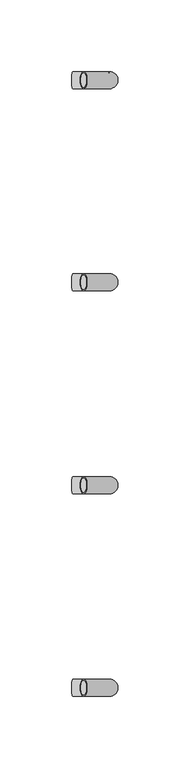
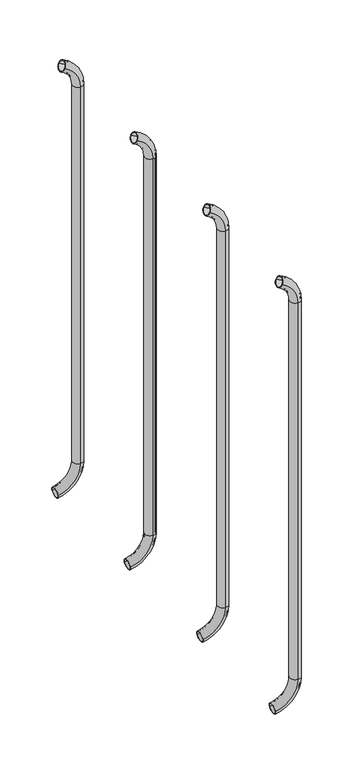
"""IFC4 building model written with IfcOpenShell, lengths in millimetres: beam geometry."""

import ifcopenshell
import ifcopenshell.guid

model = None  # the IFC model being written
_history = None  # IfcOwnerHistory: only IFC2X3 demands one
_inside = {}  # id of a spatial element -> (the spatial element, [elements in it])
_under = {}  # id of a project, library or spatial element -> (it, [spatial elements below it])
_declared = {}  # id of a project -> (the project, [libraries it declares])
_typed = {}  # id of a type object -> (the type object, [elements of that type])
_made_of = {}  # id of a material, layer set ... -> (it, [elements and type objects made of it])


def new_model(schema):
    """Start an empty IFC model of exactly this schema.

    Asked for "IFC4X3", IfcOpenShell would pick the latest addendum, in which some entities
    have other attributes; the version numbers below select the first issue.
    IFC2X3 requires an IfcOwnerHistory on every rooted entity: one is made here for all.
    """
    global model, _history
    if schema == "IFC4X3":
        model = ifcopenshell.file(schema_version=(4, 3, 0, 0))
    else:
        model = ifcopenshell.file(schema=schema)
    _inside.clear()
    _under.clear()
    _declared.clear()
    _typed.clear()
    _made_of.clear()
    _history = None
    if model.schema == "IFC2X3":
        org = make("IfcOrganization", Name="unknown")
        user = make(
            "IfcPersonAndOrganization",
            ThePerson=make("IfcPerson", FamilyName="unknown"),
            TheOrganization=org,
        )
        app = make(
            "IfcApplication",
            ApplicationDeveloper=org,
            Version="unknown",
            ApplicationFullName="unknown",
            ApplicationIdentifier="unknown",
        )
        _history = make(
            "IfcOwnerHistory",
            OwningUser=user,
            OwningApplication=app,
            ChangeAction="ADDED",
            CreationDate=0,
        )
    return model


def make(cls, **values):
    """One entity of the class cls with the attributes given. An attribute that is None is left unset."""
    return model.create_entity(
        cls, **{name: value for name, value in values.items() if value is not None}
    )


def rooted(cls, **values):
    """An entity with a GlobalId (a new one), such as an element, a storey or a relation."""
    return make(cls, GlobalId=ifcopenshell.guid.new(), OwnerHistory=_history, **values)


def si_unit(unit_type, name, prefix=None):
    """IfcSIUnit, for example si_unit("LENGTHUNIT", "METRE", prefix="MILLI")."""
    return make("IfcSIUnit", UnitType=unit_type, Prefix=prefix, Name=name)


def assignment(units):
    """IfcUnitAssignment: the units of a project."""
    return None if units is None else make("IfcUnitAssignment", Units=units)


def point(xyz):
    """IfcCartesianPoint."""
    return None if xyz is None else make("IfcCartesianPoint", Coordinates=xyz)


def direction(xyz):
    """IfcDirection."""
    return None if xyz is None else make("IfcDirection", DirectionRatios=xyz)


def frame(location, z_axis=None, x_axis=None):
    """IfcAxis2Placement3D, a coordinate frame: its origin and axes. An axis left out is left unset."""
    return make(
        "IfcAxis2Placement3D",
        Location=point(location),
        Axis=direction(z_axis),
        RefDirection=direction(x_axis),
    )


def origin():
    """The frame at (0, 0, 0) with its axes left unset."""
    return frame((0.0, 0.0, 0.0))


def place(relative_to, where):
    """IfcLocalPlacement: puts the frame where relative to a parent placement (None: the world)."""
    return make(
        "IfcLocalPlacement", PlacementRelTo=relative_to, RelativePlacement=where
    )


def context(
    kind, dimensions, precision=None, world=None, true_north=None, identifier=None
):
    """IfcGeometricRepresentationContext, for example the 3D "Model" context."""
    return make(
        "IfcGeometricRepresentationContext",
        ContextIdentifier=identifier,
        ContextType=kind,
        CoordinateSpaceDimension=dimensions,
        Precision=precision,
        WorldCoordinateSystem=world,
        TrueNorth=true_north,
    )


def project(units=None, contexts=None):
    """IfcProject with its units and contexts."""
    return rooted(
        "IfcProject",
        Name="project",
        RepresentationContexts=contexts,
        UnitsInContext=assignment(units),
    )


def spatial(cls, under=None, at=None, **own):
    """A site, building, storey or space (cls), placed at a placement, below another one or the project."""
    s = rooted(cls, ObjectPlacement=at, **own)
    if under is not None:
        _under.setdefault(under.id(), (under, []))[1].append(s)
    return s


def polyline(points):
    """IfcPolyline through the points."""
    return make("IfcPolyline", Points=[point(p) for p in points])


def circle_curve(where, radius):
    """IfcCircle in the frame where."""
    return make("IfcCircle", Position=where, Radius=radius)


def ellipse_curve(where, semi_axis1, semi_axis2):
    """IfcEllipse in the frame where."""
    return make(
        "IfcEllipse", Position=where, SemiAxis1=semi_axis1, SemiAxis2=semi_axis2
    )


def trimmed(basis, trim1, trim2, sense, master):
    """IfcTrimmedCurve: the piece of a basis curve between two trims."""
    return make(
        "IfcTrimmedCurve",
        BasisCurve=basis,
        Trim1=trim1,
        Trim2=trim2,
        SenseAgreement=sense,
        MasterRepresentation=master,
    )


def shape(context_of_items, identifier, shape_type, items):
    """IfcShapeRepresentation: the items that make up one representation, for example the "Body"."""
    return make(
        "IfcShapeRepresentation",
        ContextOfItems=context_of_items,
        RepresentationIdentifier=identifier,
        RepresentationType=shape_type,
        Items=items,
    )


def source(mapping_origin, context_of_items, identifier, shape_type, items):
    """IfcRepresentationMap: a shape defined once, which mapped items show again and again."""
    return make(
        "IfcRepresentationMap",
        MappingOrigin=mapping_origin,
        MappedRepresentation=shape(context_of_items, identifier, shape_type, items),
    )


def transform(
    local_origin,
    x_axis=None,
    y_axis=None,
    z_axis=None,
    scale=None,
    scale2=None,
    scale3=None,
    uniform=True,
):
    """IfcCartesianTransformationOperator3D, or its non-uniform kind. x_axis, y_axis, z_axis: its Axis1, 2, 3."""
    if uniform:
        return make(
            "IfcCartesianTransformationOperator3D",
            Axis1=direction(x_axis),
            Axis2=direction(y_axis),
            LocalOrigin=point(local_origin),
            Scale=scale,
            Axis3=direction(z_axis),
        )
    return make(
        "IfcCartesianTransformationOperator3DnonUniform",
        Axis1=direction(x_axis),
        Axis2=direction(y_axis),
        LocalOrigin=point(local_origin),
        Scale=scale,
        Axis3=direction(z_axis),
        Scale2=scale2,
        Scale3=scale3,
    )


def mapped(mapping_source, mapping_target):
    """IfcMappedItem: shows the shape of a source again, moved by a transform."""
    return make(
        "IfcMappedItem", MappingSource=mapping_source, MappingTarget=mapping_target
    )


def made_of(thing, what):
    """Note that an element or type object is made of a material, layer set ...; save() writes the relation."""
    if what is not None:
        _made_of.setdefault(what.id(), (what, []))[1].append(thing)
    return thing


def element(
    cls,
    number,
    at=None,
    inside=None,
    cuts=None,
    type_object=None,
    material=None,
    context=None,
    identifier="Body",
    shape_type=None,
    held_by="IfcProductDefinitionShape",
    body=None,
    shapes=None,
    **own,
):
    """One element of the class cls, such as IfcWall. Its Tag is "e" and its number.

    at: its placement. inside: the storey or other place that contains it. cuts: it is an
    opening in that element (IfcRelVoidsElement). A single representation is given by context,
    identifier, shape_type and body (its items); several are given by shapes. held_by: the class
    of the entity that holds the representations. save() writes the other relations.
    """
    e = rooted(cls, Tag="e%d" % number, ObjectPlacement=at, **own)
    if body is not None:
        shapes = [shape(context, identifier, shape_type, body)]
    if shapes is not None:
        e.Representation = make(held_by, Representations=shapes)
    if inside is not None:
        _inside.setdefault(inside.id(), (inside, []))[1].append(e)
    if cuts is not None:
        rooted(
            "IfcRelVoidsElement", RelatingBuildingElement=cuts, RelatedOpeningElement=e
        )
    if type_object is not None:
        _typed.setdefault(type_object.id(), (type_object, []))[1].append(e)
    return made_of(e, material)


def aggregate(whole, parts):
    """IfcRelAggregates: a whole, such as a stair, and the parts it consists of."""
    return rooted("IfcRelAggregates", RelatingObject=whole, RelatedObjects=parts)


def save(model, path):
    """Write the relations noted so far, then the file.

    IfcRelAggregates (storeys below a building ...), IfcRelContainedInSpatialStructure (elements
    in a storey), IfcRelDefinesByType, IfcRelAssociatesMaterial and IfcRelDeclares: one each for
    every whole, place, type object, material and project.
    """
    for whole, parts in _under.values():
        aggregate(whole, parts)
    for where, things in _inside.values():
        rooted(
            "IfcRelContainedInSpatialStructure",
            RelatedElements=things,
            RelatingStructure=where,
        )
    for kind, things in _typed.values():
        rooted("IfcRelDefinesByType", RelatedObjects=things, RelatingType=kind)
    for what, things in _made_of.values():
        rooted("IfcRelAssociatesMaterial", RelatedObjects=things, RelatingMaterial=what)
    for by, libraries in _declared.values():
        rooted("IfcRelDeclares", RelatingContext=by, RelatedDefinitions=libraries)
    model.write(path)


def plane_surface(at):
    """IfcPlane: the flat surface through the origin of the frame at, square to its z axis."""
    return make("IfcPlane", Position=at)


def cylinder_surface(at, radius):
    """IfcCylindricalSurface: all points at the distance radius from the z axis of the frame at."""
    return make("IfcCylindricalSurface", Position=at, Radius=radius)


def revolved_surface(curve, axis_point, axis_direction):
    """IfcSurfaceOfRevolution: the curve turned about the line through axis_point along axis_direction."""
    return make(
        "IfcSurfaceOfRevolution",
        SweptCurve=make("IfcArbitraryOpenProfileDef", ProfileType="CURVE", Curve=curve),
        AxisPosition=make("IfcAxis1Placement", Location=point(axis_point), Axis=direction(axis_direction)),
    )


def advanced_brep(points, edges, surfaces, faces):
    """IfcAdvancedBrep: a solid bounded by faces that lie on surfaces and meet in shared edges.

    An edge is (start, end): straight between two places in points (the first is 0);
    or (start, end, curve); or (start, end, curve, False) where it runs against its curve.
    A face is (place in surfaces, loops), or (place, loops, False) where it looks against
    its surface's normal. A loop lists edges by number (the first is 1), with a minus sign
    where the edge is run from its end to its start. The first loop is the outer one.
    """
    corners = [point(p) for p in points]
    vertices = [make("IfcVertexPoint", VertexGeometry=c) for c in corners]
    made = []
    for start, end, *more in edges:
        made.append(
            make(
                "IfcEdgeCurve",
                EdgeStart=vertices[start],
                EdgeEnd=vertices[end],
                EdgeGeometry=more[0] if more else make("IfcPolyline", Points=[corners[start], corners[end]]),
                SameSense=more[1] if len(more) > 1 else True,
            )
        )
    hull = []
    for where, loops, *sense in faces:
        bounds = []
        for j, loop in enumerate(loops):
            ring = [make("IfcOrientedEdge", EdgeElement=made[abs(k) - 1], Orientation=k > 0) for k in loop]
            bounds.append(
                make(
                    "IfcFaceOuterBound" if j == 0 else "IfcFaceBound",
                    Bound=make("IfcEdgeLoop", EdgeList=ring),
                    Orientation=True,
                )
            )
        hull.append(make("IfcAdvancedFace", Bounds=bounds, FaceSurface=surfaces[where], SameSense=sense[0] if sense else True))
    return make("IfcAdvancedBrep", Outer=make("IfcClosedShell", CfsFaces=hull))


def beam_a1d6530e(model_context):
    return source(origin(), model_context, "Body", "AdvancedBrep", [
        advanced_brep(
        [(-1667.3713033, 2408.5765736, 1917.1908893), (-1667.3713033, 2396.5765736, 1917.1908893), (-1667.3713033, 2407.5765736, 1917.1908893), (-1667.3713033, 2397.5765736, 1917.1908893), (-1649.2946865, 2407.5765736, 1889.6621238), (-1649.2946865, 2397.5765736, 1889.6621238), (-1649.2946865, 2408.5765736, 1889.6621238), (-1649.2946865, 2396.5765736, 1889.6621238), (-1649.2946865, 2397.5765736, 1440.7084898), (-1649.2946865, 2407.5765736, 1440.7084898), (-1649.2946865, 2396.5765736, 1440.7084898), (-1649.2946865, 2408.5765736, 1440.7084898), (-1674.9142626, 2408.5765736, 1411.0300146), (-1674.9142626, 2396.5765736, 1411.0300146), (-1674.9142626, 2407.5765736, 1411.0300146), (-1674.9142626, 2397.5765736, 1411.0300146)],
        [
            (0, 1, circle_curve(frame((-1667.3713033, 2402.5765736, 1917.1908893), z_axis=(-0.9176255197351176, 0.0, 0.3974461039321624), x_axis=(0.0, -1.0, 0.0)), 6.0)),
            (1, 0, circle_curve(frame((-1667.3713033, 2402.5765736, 1917.1908893), z_axis=(-0.9176255197351176, 0.0, 0.3974461039321624), x_axis=(0.0, -1.0, 0.0)), 6.0)),
            (2, 3, circle_curve(frame((-1667.3713033, 2402.5765736, 1917.1908893), z_axis=(0.9176255197351176, 0.0, -0.3974461039321624), x_axis=(0.0, -1.0, 0.0)), 5.0)),
            (3, 2, circle_curve(frame((-1667.3713033, 2402.5765736, 1917.1908893), z_axis=(0.9176255197351176, 0.0, -0.3974461039321624), x_axis=(0.0, -1.0, 0.0)), 5.0)),
            (4, 2, circle_curve(frame((-1679.2946865, 2407.5765736, 1889.6621238), z_axis=(0.0, -1.0, 0.0), x_axis=(0.3974461039321624, 0.0, 0.9176255197351176)), 30.0)),
            (3, 5, circle_curve(frame((-1679.2946865, 2397.5765736, 1889.6621238), z_axis=(0.0, 1.0, 0.0), x_axis=(0.3974461039321624, 0.0, 0.9176255197351176)), 30.0)),
            (5, 4, circle_curve(frame((-1649.2946865, 2402.5765736, 1889.6621238), z_axis=(0.0, 0.0, -1.0), x_axis=(0.0, -1.0, 0.0)), 5.0)),
            (4, 5, circle_curve(frame((-1649.2946865, 2402.5765736, 1889.6621238), z_axis=(0.0, 0.0, -1.0), x_axis=(0.0, -1.0, 0.0)), 5.0)),
            (6, 0, circle_curve(frame((-1679.2946865, 2408.5765736, 1889.6621238), z_axis=(0.0, -1.0, 0.0), x_axis=(0.3974461039321624, 0.0, 0.9176255197351176)), 30.0)),
            (1, 7, circle_curve(frame((-1679.2946865, 2396.5765736, 1889.6621238), z_axis=(0.0, 1.0, 0.0), x_axis=(0.3974461039321624, 0.0, 0.9176255197351176)), 30.0)),
            (7, 6, circle_curve(frame((-1649.2946865, 2402.5765736, 1889.6621238), z_axis=(0.0, 0.0, 1.0), x_axis=(0.0, -1.0, 0.0)), 6.0)),
            (6, 7, circle_curve(frame((-1649.2946865, 2402.5765736, 1889.6621238), z_axis=(0.0, 0.0, 1.0), x_axis=(0.0, -1.0, 0.0)), 6.0)),
            (5, 8),
            (8, 9, circle_curve(frame((-1649.2946865, 2402.5765736, 1440.7084898), z_axis=(0.0, 0.0, -1.0), x_axis=(0.0, -1.0, 0.0)), 5.0)),
            (9, 4),
            (9, 8, circle_curve(frame((-1649.2946865, 2402.5765736, 1440.7084898), z_axis=(0.0, 0.0, -1.0), x_axis=(0.0, -1.0, 0.0)), 5.0)),
            (7, 10),
            (10, 11, circle_curve(frame((-1649.2946865, 2402.5765736, 1440.7084898), z_axis=(0.0, 0.0, 1.0), x_axis=(0.0, -1.0, 0.0)), 6.0)),
            (11, 6),
            (11, 10, circle_curve(frame((-1649.2946865, 2402.5765736, 1440.7084898), z_axis=(0.0, 0.0, 1.0), x_axis=(0.0, -1.0, 0.0)), 6.0)),
            (12, 13, circle_curve(frame((-1674.9142626, 2402.5765736, 1411.0300146), z_axis=(-0.9892825047438852, 0.0, -0.14601412879466394), x_axis=(0.0, -1.0, 0.0)), 6.0)),
            (13, 12, circle_curve(frame((-1674.9142626, 2402.5765736, 1411.0300146), z_axis=(-0.9892825047438852, 0.0, -0.14601412879466394), x_axis=(0.0, -1.0, 0.0)), 6.0)),
            (14, 15, circle_curve(frame((-1674.9142626, 2402.5765736, 1411.0300146), z_axis=(0.9892825047438852, 0.0, 0.14601412879466394), x_axis=(0.0, -1.0, 0.0)), 5.0)),
            (15, 14, circle_curve(frame((-1674.9142626, 2402.5765736, 1411.0300146), z_axis=(0.9892825047438852, 0.0, 0.14601412879466394), x_axis=(0.0, -1.0, 0.0)), 5.0)),
            (14, 9, circle_curve(frame((-1679.2946865, 2407.5765736, 1440.7084898), z_axis=(0.0, -1.0, 0.0), x_axis=(1.0, 0.0, 0.0)), 30.0)),
            (8, 15, circle_curve(frame((-1679.2946865, 2397.5765736, 1440.7084898), z_axis=(0.0, 1.0, 0.0), x_axis=(1.0, 0.0, 0.0)), 30.0)),
            (12, 11, circle_curve(frame((-1679.2946865, 2408.5765736, 1440.7084898), z_axis=(0.0, -1.0, 0.0), x_axis=(1.0, 0.0, 0.0)), 30.0)),
            (10, 13, circle_curve(frame((-1679.2946865, 2396.5765736, 1440.7084898), z_axis=(0.0, 1.0, 0.0), x_axis=(1.0, 0.0, 0.0)), 30.0)),
        ],
        [
            plane_surface(frame((-1667.3713033, 2402.5765736, 1917.1908893), z_axis=(-0.9176255197351176, 0.0, 0.3974461039321624), x_axis=(0.0, -1.0, 0.0))),
            revolved_surface(trimmed(ellipse_curve(frame((-1667.3713033, 2402.5765736, 1917.1908893), z_axis=(0.9176255197351176, 0.0, -0.3974461039321624), x_axis=(0.0, -1.0, 0.0)), 5.0, 5.0), [point((-1667.3713033, 2397.5765736, 1917.1908893))], [point((-1667.3713033, 2407.5765736, 1917.1908893))], True, "CARTESIAN"), (-1679.2946865, 2402.5765736, 1889.6621238), (0.0, 1.0, 0.0)),
            revolved_surface(trimmed(ellipse_curve(frame((-1667.3713033, 2402.5765736, 1917.1908893), z_axis=(0.9176255197351176, 0.0, -0.3974461039321624), x_axis=(0.0, -1.0, 0.0)), 5.0, 5.0), [point((-1667.3713033, 2407.5765736, 1917.1908893))], [point((-1667.3713033, 2397.5765736, 1917.1908893))], True, "CARTESIAN"), (-1679.2946865, 2402.5765736, 1889.6621238), (0.0, 1.0, 0.0)),
            revolved_surface(trimmed(ellipse_curve(frame((-1667.3713033, 2402.5765736, 1917.1908893), z_axis=(-0.9176255197351176, 0.0, 0.3974461039321624), x_axis=(0.0, -1.0, 0.0)), 6.0, 6.0), [point((-1667.3713033, 2396.5765736, 1917.1908893))], [point((-1667.3713033, 2408.5765736, 1917.1908893))], True, "CARTESIAN"), (-1679.2946865, 2402.5765736, 1889.6621238), (0.0, 1.0, 0.0)),
            revolved_surface(trimmed(ellipse_curve(frame((-1667.3713033, 2402.5765736, 1917.1908893), z_axis=(-0.9176255197351176, 0.0, 0.3974461039321624), x_axis=(0.0, -1.0, 0.0)), 6.0, 6.0), [point((-1667.3713033, 2408.5765736, 1917.1908893))], [point((-1667.3713033, 2396.5765736, 1917.1908893))], True, "CARTESIAN"), (-1679.2946865, 2402.5765736, 1889.6621238), (0.0, 1.0, 0.0)),
            revolved_surface(polyline([(-1649.2946865, 2397.5765736, 1440.7084898), (-1649.2946865, 2397.5765736, 1889.6621238)]), (-1649.2946865, 2402.5765736, 1889.6621238), (0.0, 0.0, -1.0)),
            cylinder_surface(frame((-1649.2946865, 2402.5765736, 1889.6621238), z_axis=(0.0, 0.0, 1.0), x_axis=(0.0, -1.0, 0.0)), 6.0),
            plane_surface(frame((-1674.9142626, 2402.5765736, 1411.0300146), z_axis=(-0.9892825047438852, 0.0, -0.14601412879466397), x_axis=(0.0, -1.0, 0.0))),
            revolved_surface(trimmed(ellipse_curve(frame((-1649.2946865, 2402.5765736, 1440.7084898), z_axis=(0.0, 0.0, -1.0), x_axis=(0.0, -1.0, 0.0)), 5.0, 5.0), [point((-1649.2946865, 2397.5765736, 1440.7084898))], [point((-1649.2946865, 2407.5765736, 1440.7084898))], True, "CARTESIAN"), (-1679.2946865, 2402.5765736, 1440.7084898), (0.0, 1.0, 0.0)),
            revolved_surface(trimmed(ellipse_curve(frame((-1649.2946865, 2402.5765736, 1440.7084898), z_axis=(0.0, 0.0, -1.0), x_axis=(0.0, -1.0, 0.0)), 5.0, 5.0), [point((-1649.2946865, 2407.5765736, 1440.7084898))], [point((-1649.2946865, 2397.5765736, 1440.7084898))], True, "CARTESIAN"), (-1679.2946865, 2402.5765736, 1440.7084898), (0.0, 1.0, 0.0)),
            revolved_surface(trimmed(ellipse_curve(frame((-1649.2946865, 2402.5765736, 1440.7084898), z_axis=(0.0, 0.0, 1.0), x_axis=(0.0, -1.0, 0.0)), 6.0, 6.0), [point((-1649.2946865, 2396.5765736, 1440.7084898))], [point((-1649.2946865, 2408.5765736, 1440.7084898))], True, "CARTESIAN"), (-1679.2946865, 2402.5765736, 1440.7084898), (0.0, 1.0, 0.0)),
            revolved_surface(trimmed(ellipse_curve(frame((-1649.2946865, 2402.5765736, 1440.7084898), z_axis=(0.0, 0.0, 1.0), x_axis=(0.0, -1.0, 0.0)), 6.0, 6.0), [point((-1649.2946865, 2408.5765736, 1440.7084898))], [point((-1649.2946865, 2396.5765736, 1440.7084898))], True, "CARTESIAN"), (-1679.2946865, 2402.5765736, 1440.7084898), (0.0, 1.0, 0.0)),
        ],
        [
            (0, [[1, 2], [3, 4]]),
            (1, [[5, -4, 6, 7]]),
            (2, [[-6, -3, -5, 8]]),
            (3, [[9, -2, 10, 11]]),
            (4, [[-10, -1, -9, 12]]),
            (5, [[-7, 13, 14, 15]]),
            (5, [[-8, -15, 16, -13]]),
            (6, [[-11, 17, 18, 19]]),
            (6, [[-12, -19, 20, -17]]),
            (7, [[21, 22], [23, 24]]),
            (8, [[25, -14, 26, -23]]),
            (9, [[-26, -16, -25, -24]]),
            (10, [[27, -18, 28, -21]]),
            (11, [[-28, -20, -27, -22]]),
        ],
    ),
        advanced_brep(
        [(-1667.3713033, 2550.1390736, 1917.1908893), (-1667.3713033, 2538.1390736, 1917.1908893), (-1667.3713033, 2549.1390736, 1917.1908893), (-1667.3713033, 2539.1390736, 1917.1908893), (-1649.2946865, 2549.1390736, 1889.6621238), (-1649.2946865, 2539.1390736, 1889.6621238), (-1649.2946865, 2550.1390736, 1889.6621238), (-1649.2946865, 2538.1390736, 1889.6621238), (-1649.2946865, 2539.1390736, 1440.7084898), (-1649.2946865, 2549.1390736, 1440.7084898), (-1649.2946865, 2538.1390736, 1440.7084898), (-1649.2946865, 2550.1390736, 1440.7084898), (-1674.9142626, 2550.1390736, 1411.0300146), (-1674.9142626, 2538.1390736, 1411.0300146), (-1674.9142626, 2549.1390736, 1411.0300146), (-1674.9142626, 2539.1390736, 1411.0300146)],
        [
            (0, 1, circle_curve(frame((-1667.3713033, 2544.1390736, 1917.1908893), z_axis=(-0.9176255197351176, 0.0, 0.3974461039321624), x_axis=(0.0, -1.0, 0.0)), 6.0)),
            (1, 0, circle_curve(frame((-1667.3713033, 2544.1390736, 1917.1908893), z_axis=(-0.9176255197351176, 0.0, 0.3974461039321624), x_axis=(0.0, -1.0, 0.0)), 6.0)),
            (2, 3, circle_curve(frame((-1667.3713033, 2544.1390736, 1917.1908893), z_axis=(0.9176255197351176, 0.0, -0.3974461039321624), x_axis=(0.0, -1.0, 0.0)), 5.0)),
            (3, 2, circle_curve(frame((-1667.3713033, 2544.1390736, 1917.1908893), z_axis=(0.9176255197351176, 0.0, -0.3974461039321624), x_axis=(0.0, -1.0, 0.0)), 5.0)),
            (4, 2, circle_curve(frame((-1679.2946865, 2549.1390736, 1889.6621238), z_axis=(0.0, -1.0, 0.0), x_axis=(0.3974461039321624, 0.0, 0.9176255197351176)), 30.0)),
            (3, 5, circle_curve(frame((-1679.2946865, 2539.1390736, 1889.6621238), z_axis=(0.0, 1.0, 0.0), x_axis=(0.3974461039321624, 0.0, 0.9176255197351176)), 30.0)),
            (5, 4, circle_curve(frame((-1649.2946865, 2544.1390736, 1889.6621238), z_axis=(0.0, 0.0, -1.0), x_axis=(0.0, -1.0, 0.0)), 5.0)),
            (4, 5, circle_curve(frame((-1649.2946865, 2544.1390736, 1889.6621238), z_axis=(0.0, 0.0, -1.0), x_axis=(0.0, -1.0, 0.0)), 5.0)),
            (6, 0, circle_curve(frame((-1679.2946865, 2550.1390736, 1889.6621238), z_axis=(0.0, -1.0, 0.0), x_axis=(0.3974461039321624, 0.0, 0.9176255197351176)), 30.0)),
            (1, 7, circle_curve(frame((-1679.2946865, 2538.1390736, 1889.6621238), z_axis=(0.0, 1.0, 0.0), x_axis=(0.3974461039321624, 0.0, 0.9176255197351176)), 30.0)),
            (7, 6, circle_curve(frame((-1649.2946865, 2544.1390736, 1889.6621238), z_axis=(0.0, 0.0, 1.0), x_axis=(0.0, -1.0, 0.0)), 6.0)),
            (6, 7, circle_curve(frame((-1649.2946865, 2544.1390736, 1889.6621238), z_axis=(0.0, 0.0, 1.0), x_axis=(0.0, -1.0, 0.0)), 6.0)),
            (5, 8),
            (8, 9, circle_curve(frame((-1649.2946865, 2544.1390736, 1440.7084898), z_axis=(0.0, 0.0, -1.0), x_axis=(0.0, -1.0, 0.0)), 5.0)),
            (9, 4),
            (9, 8, circle_curve(frame((-1649.2946865, 2544.1390736, 1440.7084898), z_axis=(0.0, 0.0, -1.0), x_axis=(0.0, -1.0, 0.0)), 5.0)),
            (7, 10),
            (10, 11, circle_curve(frame((-1649.2946865, 2544.1390736, 1440.7084898), z_axis=(0.0, 0.0, 1.0), x_axis=(0.0, -1.0, 0.0)), 6.0)),
            (11, 6),
            (11, 10, circle_curve(frame((-1649.2946865, 2544.1390736, 1440.7084898), z_axis=(0.0, 0.0, 1.0), x_axis=(0.0, -1.0, 0.0)), 6.0)),
            (12, 13, circle_curve(frame((-1674.9142626, 2544.1390736, 1411.0300146), z_axis=(-0.9892825047438852, 0.0, -0.14601412879466394), x_axis=(0.0, -1.0, 0.0)), 6.0)),
            (13, 12, circle_curve(frame((-1674.9142626, 2544.1390736, 1411.0300146), z_axis=(-0.9892825047438852, 0.0, -0.14601412879466394), x_axis=(0.0, -1.0, 0.0)), 6.0)),
            (14, 15, circle_curve(frame((-1674.9142626, 2544.1390736, 1411.0300146), z_axis=(0.9892825047438852, 0.0, 0.14601412879466394), x_axis=(0.0, -1.0, 0.0)), 5.0)),
            (15, 14, circle_curve(frame((-1674.9142626, 2544.1390736, 1411.0300146), z_axis=(0.9892825047438852, 0.0, 0.14601412879466394), x_axis=(0.0, -1.0, 0.0)), 5.0)),
            (14, 9, circle_curve(frame((-1679.2946865, 2549.1390736, 1440.7084898), z_axis=(0.0, -1.0, 0.0), x_axis=(1.0, 0.0, 0.0)), 30.0)),
            (8, 15, circle_curve(frame((-1679.2946865, 2539.1390736, 1440.7084898), z_axis=(0.0, 1.0, 0.0), x_axis=(1.0, 0.0, 0.0)), 30.0)),
            (12, 11, circle_curve(frame((-1679.2946865, 2550.1390736, 1440.7084898), z_axis=(0.0, -1.0, 0.0), x_axis=(1.0, 0.0, 0.0)), 30.0)),
            (10, 13, circle_curve(frame((-1679.2946865, 2538.1390736, 1440.7084898), z_axis=(0.0, 1.0, 0.0), x_axis=(1.0, 0.0, 0.0)), 30.0)),
        ],
        [
            plane_surface(frame((-1667.3713033, 2544.1390736, 1917.1908893), z_axis=(-0.9176255197351176, 0.0, 0.3974461039321624), x_axis=(0.0, -1.0, 0.0))),
            revolved_surface(trimmed(ellipse_curve(frame((-1667.3713033, 2544.1390736, 1917.1908893), z_axis=(0.9176255197351176, 0.0, -0.3974461039321624), x_axis=(0.0, -1.0, 0.0)), 5.0, 5.0), [point((-1667.3713033, 2539.1390736, 1917.1908893))], [point((-1667.3713033, 2549.1390736, 1917.1908893))], True, "CARTESIAN"), (-1679.2946865, 2544.1390736, 1889.6621238), (0.0, 1.0, 0.0)),
            revolved_surface(trimmed(ellipse_curve(frame((-1667.3713033, 2544.1390736, 1917.1908893), z_axis=(0.9176255197351176, 0.0, -0.3974461039321624), x_axis=(0.0, -1.0, 0.0)), 5.0, 5.0), [point((-1667.3713033, 2549.1390736, 1917.1908893))], [point((-1667.3713033, 2539.1390736, 1917.1908893))], True, "CARTESIAN"), (-1679.2946865, 2544.1390736, 1889.6621238), (0.0, 1.0, 0.0)),
            revolved_surface(trimmed(ellipse_curve(frame((-1667.3713033, 2544.1390736, 1917.1908893), z_axis=(-0.9176255197351176, 0.0, 0.3974461039321624), x_axis=(0.0, -1.0, 0.0)), 6.0, 6.0), [point((-1667.3713033, 2538.1390736, 1917.1908893))], [point((-1667.3713033, 2550.1390736, 1917.1908893))], True, "CARTESIAN"), (-1679.2946865, 2544.1390736, 1889.6621238), (0.0, 1.0, 0.0)),
            revolved_surface(trimmed(ellipse_curve(frame((-1667.3713033, 2544.1390736, 1917.1908893), z_axis=(-0.9176255197351176, 0.0, 0.3974461039321624), x_axis=(0.0, -1.0, 0.0)), 6.0, 6.0), [point((-1667.3713033, 2550.1390736, 1917.1908893))], [point((-1667.3713033, 2538.1390736, 1917.1908893))], True, "CARTESIAN"), (-1679.2946865, 2544.1390736, 1889.6621238), (0.0, 1.0, 0.0)),
            revolved_surface(polyline([(-1649.2946865, 2539.1390736, 1440.7084898), (-1649.2946865, 2539.1390736, 1889.6621238)]), (-1649.2946865, 2544.1390736, 1889.6621238), (0.0, 0.0, -1.0)),
            cylinder_surface(frame((-1649.2946865, 2544.1390736, 1889.6621238), z_axis=(0.0, 0.0, 1.0), x_axis=(0.0, -1.0, 0.0)), 6.0),
            plane_surface(frame((-1674.9142626, 2544.1390736, 1411.0300146), z_axis=(-0.9892825047438852, 0.0, -0.14601412879466397), x_axis=(0.0, -1.0, 0.0))),
            revolved_surface(trimmed(ellipse_curve(frame((-1649.2946865, 2544.1390736, 1440.7084898), z_axis=(0.0, 0.0, -1.0), x_axis=(0.0, -1.0, 0.0)), 5.0, 5.0), [point((-1649.2946865, 2539.1390736, 1440.7084898))], [point((-1649.2946865, 2549.1390736, 1440.7084898))], True, "CARTESIAN"), (-1679.2946865, 2544.1390736, 1440.7084898), (0.0, 1.0, 0.0)),
            revolved_surface(trimmed(ellipse_curve(frame((-1649.2946865, 2544.1390736, 1440.7084898), z_axis=(0.0, 0.0, -1.0), x_axis=(0.0, -1.0, 0.0)), 5.0, 5.0), [point((-1649.2946865, 2549.1390736, 1440.7084898))], [point((-1649.2946865, 2539.1390736, 1440.7084898))], True, "CARTESIAN"), (-1679.2946865, 2544.1390736, 1440.7084898), (0.0, 1.0, 0.0)),
            revolved_surface(trimmed(ellipse_curve(frame((-1649.2946865, 2544.1390736, 1440.7084898), z_axis=(0.0, 0.0, 1.0), x_axis=(0.0, -1.0, 0.0)), 6.0, 6.0), [point((-1649.2946865, 2538.1390736, 1440.7084898))], [point((-1649.2946865, 2550.1390736, 1440.7084898))], True, "CARTESIAN"), (-1679.2946865, 2544.1390736, 1440.7084898), (0.0, 1.0, 0.0)),
            revolved_surface(trimmed(ellipse_curve(frame((-1649.2946865, 2544.1390736, 1440.7084898), z_axis=(0.0, 0.0, 1.0), x_axis=(0.0, -1.0, 0.0)), 6.0, 6.0), [point((-1649.2946865, 2550.1390736, 1440.7084898))], [point((-1649.2946865, 2538.1390736, 1440.7084898))], True, "CARTESIAN"), (-1679.2946865, 2544.1390736, 1440.7084898), (0.0, 1.0, 0.0)),
        ],
        [
            (0, [[1, 2], [3, 4]]),
            (1, [[5, -4, 6, 7]]),
            (2, [[-6, -3, -5, 8]]),
            (3, [[9, -2, 10, 11]]),
            (4, [[-10, -1, -9, 12]]),
            (5, [[-7, 13, 14, 15]]),
            (5, [[-8, -15, 16, -13]]),
            (6, [[-11, 17, 18, 19]]),
            (6, [[-12, -19, 20, -17]]),
            (7, [[21, 22], [23, 24]]),
            (8, [[25, -14, 26, -23]]),
            (9, [[-26, -16, -25, -24]]),
            (10, [[27, -18, 28, -21]]),
            (11, [[-28, -20, -27, -22]]),
        ],
    ),
        advanced_brep(
        [(-1667.3713033, 2692.0140736, 1917.1908893), (-1667.3713033, 2680.0140736, 1917.1908893), (-1667.3713033, 2691.0140736, 1917.1908893), (-1667.3713033, 2681.0140736, 1917.1908893), (-1649.2946865, 2691.0140736, 1889.6621238), (-1649.2946865, 2681.0140736, 1889.6621238), (-1649.2946865, 2692.0140736, 1889.6621238), (-1649.2946865, 2680.0140736, 1889.6621238), (-1649.2946865, 2681.0140736, 1440.7084898), (-1649.2946865, 2691.0140736, 1440.7084898), (-1649.2946865, 2680.0140736, 1440.7084898), (-1649.2946865, 2692.0140736, 1440.7084898), (-1674.9142626, 2692.0140736, 1411.0300146), (-1674.9142626, 2680.0140736, 1411.0300146), (-1674.9142626, 2691.0140736, 1411.0300146), (-1674.9142626, 2681.0140736, 1411.0300146)],
        [
            (0, 1, circle_curve(frame((-1667.3713033, 2686.0140736, 1917.1908893), z_axis=(-0.9176255197351176, 0.0, 0.3974461039321624), x_axis=(0.0, -1.0, 0.0)), 6.0)),
            (1, 0, circle_curve(frame((-1667.3713033, 2686.0140736, 1917.1908893), z_axis=(-0.9176255197351176, 0.0, 0.3974461039321624), x_axis=(0.0, -1.0, 0.0)), 6.0)),
            (2, 3, circle_curve(frame((-1667.3713033, 2686.0140736, 1917.1908893), z_axis=(0.9176255197351176, 0.0, -0.3974461039321624), x_axis=(0.0, -1.0, 0.0)), 5.0)),
            (3, 2, circle_curve(frame((-1667.3713033, 2686.0140736, 1917.1908893), z_axis=(0.9176255197351176, 0.0, -0.3974461039321624), x_axis=(0.0, -1.0, 0.0)), 5.0)),
            (4, 2, circle_curve(frame((-1679.2946865, 2691.0140736, 1889.6621238), z_axis=(0.0, -1.0, 0.0), x_axis=(0.3974461039321624, 0.0, 0.9176255197351176)), 30.0)),
            (3, 5, circle_curve(frame((-1679.2946865, 2681.0140736, 1889.6621238), z_axis=(0.0, 1.0, 0.0), x_axis=(0.3974461039321624, 0.0, 0.9176255197351176)), 30.0)),
            (5, 4, circle_curve(frame((-1649.2946865, 2686.0140736, 1889.6621238), z_axis=(0.0, 0.0, -1.0), x_axis=(0.0, -1.0, 0.0)), 5.0)),
            (4, 5, circle_curve(frame((-1649.2946865, 2686.0140736, 1889.6621238), z_axis=(0.0, 0.0, -1.0), x_axis=(0.0, -1.0, 0.0)), 5.0)),
            (6, 0, circle_curve(frame((-1679.2946865, 2692.0140736, 1889.6621238), z_axis=(0.0, -1.0, 0.0), x_axis=(0.3974461039321624, 0.0, 0.9176255197351176)), 30.0)),
            (1, 7, circle_curve(frame((-1679.2946865, 2680.0140736, 1889.6621238), z_axis=(0.0, 1.0, 0.0), x_axis=(0.3974461039321624, 0.0, 0.9176255197351176)), 30.0)),
            (7, 6, circle_curve(frame((-1649.2946865, 2686.0140736, 1889.6621238), z_axis=(0.0, 0.0, 0.9999999999999999), x_axis=(0.0, -1.0, 0.0)), 6.0)),
            (6, 7, circle_curve(frame((-1649.2946865, 2686.0140736, 1889.6621238), z_axis=(0.0, 0.0, 1.0), x_axis=(0.0, -1.0, 0.0)), 6.0)),
            (5, 8),
            (8, 9, circle_curve(frame((-1649.2946865, 2686.0140736, 1440.7084898), z_axis=(0.0, 0.0, -1.0), x_axis=(0.0, -1.0, 0.0)), 5.0)),
            (9, 4),
            (9, 8, circle_curve(frame((-1649.2946865, 2686.0140736, 1440.7084898), z_axis=(0.0, 0.0, -1.0), x_axis=(0.0, -1.0, 0.0)), 5.0)),
            (7, 10),
            (10, 11, circle_curve(frame((-1649.2946865, 2686.0140736, 1440.7084898), z_axis=(0.0, 0.0, 1.0), x_axis=(0.0, -1.0, 0.0)), 6.0)),
            (11, 6),
            (11, 10, circle_curve(frame((-1649.2946865, 2686.0140736, 1440.7084898), z_axis=(0.0, 0.0, 1.0), x_axis=(0.0, -1.0, 0.0)), 6.0)),
            (12, 13, circle_curve(frame((-1674.9142626, 2686.0140736, 1411.0300146), z_axis=(-0.9892825047438852, 0.0, -0.14601412879466394), x_axis=(0.0, -1.0, 0.0)), 6.0)),
            (13, 12, circle_curve(frame((-1674.9142626, 2686.0140736, 1411.0300146), z_axis=(-0.9892825047438852, 0.0, -0.14601412879466394), x_axis=(0.0, -1.0, 0.0)), 6.0)),
            (14, 15, circle_curve(frame((-1674.9142626, 2686.0140736, 1411.0300146), z_axis=(0.9892825047438852, 0.0, 0.14601412879466394), x_axis=(0.0, -1.0, 0.0)), 5.0)),
            (15, 14, circle_curve(frame((-1674.9142626, 2686.0140736, 1411.0300146), z_axis=(0.9892825047438852, 0.0, 0.14601412879466394), x_axis=(0.0, -1.0, 0.0)), 5.0)),
            (14, 9, circle_curve(frame((-1679.2946865, 2691.0140736, 1440.7084898), z_axis=(0.0, -1.0, 0.0), x_axis=(1.0, 0.0, 0.0)), 30.0)),
            (8, 15, circle_curve(frame((-1679.2946865, 2681.0140736, 1440.7084898), z_axis=(0.0, 1.0, 0.0), x_axis=(1.0, 0.0, 0.0)), 30.0)),
            (12, 11, circle_curve(frame((-1679.2946865, 2692.0140736, 1440.7084898), z_axis=(0.0, -1.0, 0.0), x_axis=(1.0, 0.0, 0.0)), 30.0)),
            (10, 13, circle_curve(frame((-1679.2946865, 2680.0140736, 1440.7084898), z_axis=(0.0, 1.0, 0.0), x_axis=(1.0, 0.0, 0.0)), 30.0)),
        ],
        [
            plane_surface(frame((-1667.3713033, 2686.0140736, 1917.1908893), z_axis=(-0.9176255197351176, 0.0, 0.3974461039321624), x_axis=(0.0, -1.0, 0.0))),
            revolved_surface(trimmed(ellipse_curve(frame((-1667.3713033, 2686.0140736, 1917.1908893), z_axis=(0.9176255197351176, 0.0, -0.3974461039321624), x_axis=(0.0, -1.0, 0.0)), 5.0, 5.0), [point((-1667.3713033, 2681.0140736, 1917.1908893))], [point((-1667.3713033, 2691.0140736, 1917.1908893))], True, "CARTESIAN"), (-1679.2946865, 2686.0140736, 1889.6621238), (0.0, 1.0, 0.0)),
            revolved_surface(trimmed(ellipse_curve(frame((-1667.3713033, 2686.0140736, 1917.1908893), z_axis=(0.9176255197351176, 0.0, -0.3974461039321624), x_axis=(0.0, -1.0, 0.0)), 5.0, 5.0), [point((-1667.3713033, 2691.0140736, 1917.1908893))], [point((-1667.3713033, 2681.0140736, 1917.1908893))], True, "CARTESIAN"), (-1679.2946865, 2686.0140736, 1889.6621238), (0.0, 1.0, 0.0)),
            revolved_surface(trimmed(ellipse_curve(frame((-1667.3713033, 2686.0140736, 1917.1908893), z_axis=(-0.9176255197351176, 0.0, 0.3974461039321624), x_axis=(0.0, -1.0, 0.0)), 6.0, 6.0), [point((-1667.3713033, 2680.0140736, 1917.1908893))], [point((-1667.3713033, 2692.0140736, 1917.1908893))], True, "CARTESIAN"), (-1679.2946865, 2686.0140736, 1889.6621238), (0.0, 1.0, 0.0)),
            revolved_surface(trimmed(ellipse_curve(frame((-1667.3713033, 2686.0140736, 1917.1908893), z_axis=(-0.9176255197351176, 0.0, 0.3974461039321624), x_axis=(0.0, -1.0, 0.0)), 6.0, 6.0), [point((-1667.3713033, 2692.0140736, 1917.1908893))], [point((-1667.3713033, 2680.0140736, 1917.1908893))], True, "CARTESIAN"), (-1679.2946865, 2686.0140736, 1889.6621238), (0.0, 1.0, 0.0)),
            revolved_surface(polyline([(-1649.2946865, 2681.0140736, 1440.7084898), (-1649.2946865, 2681.0140736, 1889.6621238)]), (-1649.2946865, 2686.0140736, 1889.6621238), (0.0, 0.0, -1.0)),
            cylinder_surface(frame((-1649.2946865, 2686.0140736, 1889.6621238), z_axis=(0.0, 0.0, 1.0), x_axis=(0.0, -1.0, 0.0)), 6.0),
            plane_surface(frame((-1674.9142626, 2686.0140736, 1411.0300146), z_axis=(-0.9892825047438852, 0.0, -0.14601412879466397), x_axis=(0.0, -1.0, 0.0))),
            revolved_surface(trimmed(ellipse_curve(frame((-1649.2946865, 2686.0140736, 1440.7084898), z_axis=(0.0, 0.0, -1.0), x_axis=(0.0, -1.0, 0.0)), 5.0, 5.0), [point((-1649.2946865, 2681.0140736, 1440.7084898))], [point((-1649.2946865, 2691.0140736, 1440.7084898))], True, "CARTESIAN"), (-1679.2946865, 2686.0140736, 1440.7084898), (0.0, 1.0, 0.0)),
            revolved_surface(trimmed(ellipse_curve(frame((-1649.2946865, 2686.0140736, 1440.7084898), z_axis=(0.0, 0.0, -1.0), x_axis=(0.0, -1.0, 0.0)), 5.0, 5.0), [point((-1649.2946865, 2691.0140736, 1440.7084898))], [point((-1649.2946865, 2681.0140736, 1440.7084898))], True, "CARTESIAN"), (-1679.2946865, 2686.0140736, 1440.7084898), (0.0, 1.0, 0.0)),
            revolved_surface(trimmed(ellipse_curve(frame((-1649.2946865, 2686.0140736, 1440.7084898), z_axis=(0.0, 0.0, 1.0), x_axis=(0.0, -1.0, 0.0)), 6.0, 6.0), [point((-1649.2946865, 2680.0140736, 1440.7084898))], [point((-1649.2946865, 2692.0140736, 1440.7084898))], True, "CARTESIAN"), (-1679.2946865, 2686.0140736, 1440.7084898), (0.0, 1.0, 0.0)),
            revolved_surface(trimmed(ellipse_curve(frame((-1649.2946865, 2686.0140736, 1440.7084898), z_axis=(0.0, 0.0, 1.0), x_axis=(0.0, -1.0, 0.0)), 6.0, 6.0), [point((-1649.2946865, 2692.0140736, 1440.7084898))], [point((-1649.2946865, 2680.0140736, 1440.7084898))], True, "CARTESIAN"), (-1679.2946865, 2686.0140736, 1440.7084898), (0.0, 1.0, 0.0)),
        ],
        [
            (0, [[1, 2], [3, 4]]),
            (1, [[5, -4, 6, 7]]),
            (2, [[-6, -3, -5, 8]]),
            (3, [[9, -2, 10, 11]]),
            (4, [[-10, -1, -9, 12]]),
            (5, [[-7, 13, 14, 15]]),
            (5, [[-8, -15, 16, -13]]),
            (6, [[-11, 17, 18, 19]]),
            (6, [[-12, -19, 20, -17]]),
            (7, [[21, 22], [23, 24]]),
            (8, [[25, -14, 26, -23]]),
            (9, [[-26, -16, -25, -24]]),
            (10, [[27, -18, 28, -21]]),
            (11, [[-28, -20, -27, -22]]),
        ],
    ),
        advanced_brep(
        [(-1667.3713033, 2833.2640736, 1917.1908893), (-1667.3713033, 2821.2640736, 1917.1908893), (-1667.3713033, 2832.2640736, 1917.1908893), (-1667.3713033, 2822.2640736, 1917.1908893), (-1649.2946865, 2832.2640736, 1889.6621238), (-1649.2946865, 2822.2640736, 1889.6621238), (-1649.2946865, 2833.2640736, 1889.6621238), (-1649.2946865, 2821.2640736, 1889.6621238), (-1649.2946865, 2822.2640736, 1440.7084898), (-1649.2946865, 2832.2640736, 1440.7084898), (-1649.2946865, 2821.2640736, 1440.7084898), (-1649.2946865, 2833.2640736, 1440.7084898), (-1674.9142626, 2833.2640736, 1411.0300146), (-1674.9142626, 2821.2640736, 1411.0300146), (-1674.9142626, 2832.2640736, 1411.0300146), (-1674.9142626, 2822.2640736, 1411.0300146)],
        [
            (0, 1, circle_curve(frame((-1667.3713033, 2827.2640736, 1917.1908893), z_axis=(-0.9176255197351176, 0.0, 0.3974461039321624), x_axis=(0.0, -1.0, 0.0)), 6.0)),
            (1, 0, circle_curve(frame((-1667.3713033, 2827.2640736, 1917.1908893), z_axis=(-0.9176255197351176, 0.0, 0.3974461039321624), x_axis=(0.0, -1.0, 0.0)), 6.0)),
            (2, 3, circle_curve(frame((-1667.3713033, 2827.2640736, 1917.1908893), z_axis=(0.9176255197351176, 0.0, -0.3974461039321624), x_axis=(0.0, -1.0, 0.0)), 5.0)),
            (3, 2, circle_curve(frame((-1667.3713033, 2827.2640736, 1917.1908893), z_axis=(0.9176255197351176, 0.0, -0.3974461039321624), x_axis=(0.0, -1.0, 0.0)), 5.0)),
            (4, 2, circle_curve(frame((-1679.2946865, 2832.2640736, 1889.6621238), z_axis=(0.0, -1.0, 0.0), x_axis=(0.3974461039321624, 0.0, 0.9176255197351176)), 30.0)),
            (3, 5, circle_curve(frame((-1679.2946865, 2822.2640736, 1889.6621238), z_axis=(0.0, 1.0, 0.0), x_axis=(0.3974461039321624, 0.0, 0.9176255197351176)), 30.0)),
            (5, 4, circle_curve(frame((-1649.2946865, 2827.2640736, 1889.6621238), z_axis=(0.0, 0.0, -1.0), x_axis=(0.0, -1.0, 0.0)), 5.0)),
            (4, 5, circle_curve(frame((-1649.2946865, 2827.2640736, 1889.6621238), z_axis=(0.0, 0.0, -1.0), x_axis=(0.0, -1.0, 0.0)), 5.0)),
            (6, 0, circle_curve(frame((-1679.2946865, 2833.2640736, 1889.6621238), z_axis=(0.0, -1.0, 0.0), x_axis=(0.3974461039321624, 0.0, 0.9176255197351176)), 30.0)),
            (1, 7, circle_curve(frame((-1679.2946865, 2821.2640736, 1889.6621238), z_axis=(0.0, 1.0, 0.0), x_axis=(0.3974461039321624, 0.0, 0.9176255197351176)), 30.0)),
            (7, 6, circle_curve(frame((-1649.2946865, 2827.2640736, 1889.6621238), z_axis=(0.0, 0.0, 1.0), x_axis=(0.0, -1.0, 0.0)), 6.0)),
            (6, 7, circle_curve(frame((-1649.2946865, 2827.2640736, 1889.6621238), z_axis=(0.0, 0.0, 1.0), x_axis=(0.0, -1.0, 0.0)), 6.0)),
            (5, 8),
            (8, 9, circle_curve(frame((-1649.2946865, 2827.2640736, 1440.7084898), z_axis=(0.0, 0.0, -1.0), x_axis=(0.0, -1.0, 0.0)), 5.0)),
            (9, 4),
            (9, 8, circle_curve(frame((-1649.2946865, 2827.2640736, 1440.7084898), z_axis=(0.0, 0.0, -1.0), x_axis=(0.0, -1.0, 0.0)), 5.0)),
            (7, 10),
            (10, 11, circle_curve(frame((-1649.2946865, 2827.2640736, 1440.7084898), z_axis=(0.0, 0.0, 1.0), x_axis=(0.0, -1.0, 0.0)), 6.0)),
            (11, 6),
            (11, 10, circle_curve(frame((-1649.2946865, 2827.2640736, 1440.7084898), z_axis=(0.0, 0.0, 1.0), x_axis=(0.0, -1.0, 0.0)), 6.0)),
            (12, 13, circle_curve(frame((-1674.9142626, 2827.2640736, 1411.0300146), z_axis=(-0.9892825047438852, 0.0, -0.14601412879466394), x_axis=(0.0, -1.0, 0.0)), 6.0)),
            (13, 12, circle_curve(frame((-1674.9142626, 2827.2640736, 1411.0300146), z_axis=(-0.9892825047438852, 0.0, -0.14601412879466394), x_axis=(0.0, -1.0, 0.0)), 6.0)),
            (14, 15, circle_curve(frame((-1674.9142626, 2827.2640736, 1411.0300146), z_axis=(0.9892825047438852, 0.0, 0.14601412879466394), x_axis=(0.0, -1.0, 0.0)), 5.0)),
            (15, 14, circle_curve(frame((-1674.9142626, 2827.2640736, 1411.0300146), z_axis=(0.9892825047438852, 0.0, 0.14601412879466394), x_axis=(0.0, -1.0, 0.0)), 5.0)),
            (14, 9, circle_curve(frame((-1679.2946865, 2832.2640736, 1440.7084898), z_axis=(0.0, -1.0, 0.0), x_axis=(1.0, 0.0, 0.0)), 30.0)),
            (8, 15, circle_curve(frame((-1679.2946865, 2822.2640736, 1440.7084898), z_axis=(0.0, 1.0, 0.0), x_axis=(1.0, 0.0, 0.0)), 30.0)),
            (12, 11, circle_curve(frame((-1679.2946865, 2833.2640736, 1440.7084898), z_axis=(0.0, -1.0, 0.0), x_axis=(1.0, 0.0, 0.0)), 30.0)),
            (10, 13, circle_curve(frame((-1679.2946865, 2821.2640736, 1440.7084898), z_axis=(0.0, 1.0, 0.0), x_axis=(1.0, 0.0, 0.0)), 30.0)),
        ],
        [
            plane_surface(frame((-1667.3713033, 2827.2640736, 1917.1908893), z_axis=(-0.9176255197351176, 0.0, 0.3974461039321624), x_axis=(0.0, -1.0, 0.0))),
            revolved_surface(trimmed(ellipse_curve(frame((-1667.3713033, 2827.2640736, 1917.1908893), z_axis=(0.9176255197351176, 0.0, -0.3974461039321624), x_axis=(0.0, -1.0, 0.0)), 5.0, 5.0), [point((-1667.3713033, 2822.2640736, 1917.1908893))], [point((-1667.3713033, 2832.2640736, 1917.1908893))], True, "CARTESIAN"), (-1679.2946865, 2827.2640736, 1889.6621238), (0.0, 1.0, 0.0)),
            revolved_surface(trimmed(ellipse_curve(frame((-1667.3713033, 2827.2640736, 1917.1908893), z_axis=(0.9176255197351176, 0.0, -0.3974461039321624), x_axis=(0.0, -1.0, 0.0)), 5.0, 5.0), [point((-1667.3713033, 2832.2640736, 1917.1908893))], [point((-1667.3713033, 2822.2640736, 1917.1908893))], True, "CARTESIAN"), (-1679.2946865, 2827.2640736, 1889.6621238), (0.0, 1.0, 0.0)),
            revolved_surface(trimmed(ellipse_curve(frame((-1667.3713033, 2827.2640736, 1917.1908893), z_axis=(-0.9176255197351176, 0.0, 0.3974461039321624), x_axis=(0.0, -1.0, 0.0)), 6.0, 6.0), [point((-1667.3713033, 2821.2640736, 1917.1908893))], [point((-1667.3713033, 2833.2640736, 1917.1908893))], True, "CARTESIAN"), (-1679.2946865, 2827.2640736, 1889.6621238), (0.0, 1.0, 0.0)),
            revolved_surface(trimmed(ellipse_curve(frame((-1667.3713033, 2827.2640736, 1917.1908893), z_axis=(-0.9176255197351176, 0.0, 0.3974461039321624), x_axis=(0.0, -1.0, 0.0)), 6.0, 6.0), [point((-1667.3713033, 2833.2640736, 1917.1908893))], [point((-1667.3713033, 2821.2640736, 1917.1908893))], True, "CARTESIAN"), (-1679.2946865, 2827.2640736, 1889.6621238), (0.0, 1.0, 0.0)),
            revolved_surface(polyline([(-1649.2946865, 2822.2640736, 1440.7084898), (-1649.2946865, 2822.2640736, 1889.6621238)]), (-1649.2946865, 2827.2640736, 1889.6621238), (0.0, 0.0, -1.0)),
            cylinder_surface(frame((-1649.2946865, 2827.2640736, 1889.6621238), z_axis=(0.0, 0.0, 1.0), x_axis=(0.0, -1.0, 0.0)), 6.0),
            plane_surface(frame((-1674.9142626, 2827.2640736, 1411.0300146), z_axis=(-0.9892825047438852, 0.0, -0.14601412879466397), x_axis=(0.0, -1.0, 0.0))),
            revolved_surface(trimmed(ellipse_curve(frame((-1649.2946865, 2827.2640736, 1440.7084898), z_axis=(0.0, 0.0, -1.0), x_axis=(0.0, -1.0, 0.0)), 5.0, 5.0), [point((-1649.2946865, 2822.2640736, 1440.7084898))], [point((-1649.2946865, 2832.2640736, 1440.7084898))], True, "CARTESIAN"), (-1679.2946865, 2827.2640736, 1440.7084898), (0.0, 1.0, 0.0)),
            revolved_surface(trimmed(ellipse_curve(frame((-1649.2946865, 2827.2640736, 1440.7084898), z_axis=(0.0, 0.0, -1.0), x_axis=(0.0, -1.0, 0.0)), 5.0, 5.0), [point((-1649.2946865, 2832.2640736, 1440.7084898))], [point((-1649.2946865, 2822.2640736, 1440.7084898))], True, "CARTESIAN"), (-1679.2946865, 2827.2640736, 1440.7084898), (0.0, 1.0, 0.0)),
            revolved_surface(trimmed(ellipse_curve(frame((-1649.2946865, 2827.2640736, 1440.7084898), z_axis=(0.0, 0.0, 1.0), x_axis=(0.0, -1.0, 0.0)), 6.0, 6.0), [point((-1649.2946865, 2821.2640736, 1440.7084898))], [point((-1649.2946865, 2833.2640736, 1440.7084898))], True, "CARTESIAN"), (-1679.2946865, 2827.2640736, 1440.7084898), (0.0, 1.0, 0.0)),
            revolved_surface(trimmed(ellipse_curve(frame((-1649.2946865, 2827.2640736, 1440.7084898), z_axis=(0.0, 0.0, 1.0), x_axis=(0.0, -1.0, 0.0)), 6.0, 6.0), [point((-1649.2946865, 2833.2640736, 1440.7084898))], [point((-1649.2946865, 2821.2640736, 1440.7084898))], True, "CARTESIAN"), (-1679.2946865, 2827.2640736, 1440.7084898), (0.0, 1.0, 0.0)),
        ],
        [
            (0, [[1, 2], [3, 4]]),
            (1, [[5, -4, 6, 7]]),
            (2, [[-6, -3, -5, 8]]),
            (3, [[9, -2, 10, 11]]),
            (4, [[-10, -1, -9, 12]]),
            (5, [[-7, 13, 14, 15]]),
            (5, [[-8, -15, 16, -13]]),
            (6, [[-11, 17, 18, 19]]),
            (6, [[-12, -19, 20, -17]]),
            (7, [[21, 22], [23, 24]]),
            (8, [[25, -14, 26, -23]]),
            (9, [[-26, -16, -25, -24]]),
            (10, [[27, -18, 28, -21]]),
            (11, [[-28, -20, -27, -22]]),
        ],
    ),
    ])


if __name__ == "__main__":
    model = new_model("IFC4")
    model_context = context("Model", 3, world=origin())
    ifc_project = project(units=[si_unit("LENGTHUNIT", "METRE", prefix="MILLI")], contexts=[model_context])
    site = spatial("IfcSite", under=ifc_project)
    building = spatial("IfcBuilding", under=site)
    placement = place(None, origin())
    beam_shape = beam_a1d6530e(model_context)
    element("IfcBeam", 1, at=placement, inside=building, context=model_context, shape_type="MappedRepresentation", body=[
        mapped(beam_shape, transform((0.0, 0.0, 0.0), x_axis=(1.0, 0.0, 0.0), y_axis=(0.0, 1.0, 0.0), z_axis=(0.0, 0.0, 1.0))),
    ])
    save(model, "model.ifc")
